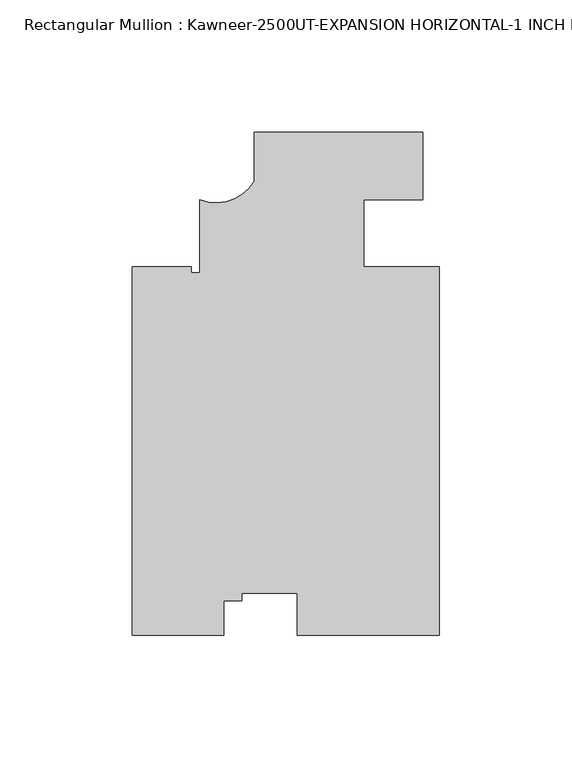
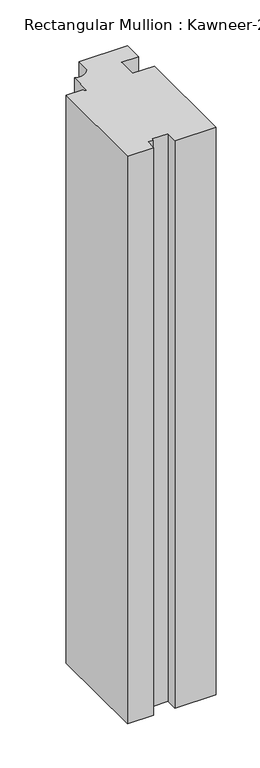
"""IFC4 building model written with IfcOpenShell, lengths in millimetres: member geometry, Rectangular Mullion : Kawneer-2500UT-EXPANSION HORIZONTAL-1 INCH INFILL-SET 6."""

from ifc_helpers import new_model, si_unit, point, frame, frame_2d, origin, place, context, project, spatial, polyline, circle_curve, trimmed, segment, composite_curve, outline, extrude, source, transform, mapped, element, save


def rectangular_mullion_kawneer_2500ut_expansion_horizontal_1_507eeec0(model_context):
    return source(origin(), model_context, "Body", "SweptSolid", [
        extrude(outline(composite_curve([segment(polyline([(0.0652766, -50.819541), (0.0652766, -190.0110885), (-53.5497694, -190.0110885), (-53.5497694, -174.112684), (-74.561792, -174.112684), (-74.561792, -176.9600543), (-81.4197917, -176.9600543), (-81.4197917, -190.0038535), (-115.9109027, -190.0038535), (-115.9109027, -50.8195423), (-93.6205795, -50.8190885), (-93.6205332, -53.0978535), (-90.4456462, -53.0978535), (-90.4456462, -25.4190885)]), True, "CONTINUOUS"), segment(trimmed(circle_curve(frame_2d((-84.190706, -9.8860086)), 16.7451739), [point((-90.4456462, -25.4190885))], [point((-69.7847234, -18.4223144))], True, "CARTESIAN"), True, "CONTINUOUS"), segment(polyline([(-69.7847234, -18.4223144), (-69.7847234, -0.0190885), (-6.2847234, -0.0190885), (-6.2847234, -25.4082203)]), True, "CONTINUOUS"), segment(trimmed(circle_curve(frame_2d((-10.5854752, -486.4269082)), 461.0387479), [point((-6.2847234, -25.4082203))], [point((-28.5097234, -25.7367212))], True, "CARTESIAN"), True, "CONTINUOUS"), segment(polyline([(-28.5097234, -25.7367212), (-28.5097234, -50.8189592), (0.0652766, -50.819541)]), True, "CONTINUOUS")], self_intersect=False)), frame((0.0, 0.0, -787.3997736), z_axis=(0.0, 0.0, 1.0), x_axis=(1.0, 0.0, 0.0)), (0.0, 0.0, 1.0), 787.3997736),
    ])


if __name__ == "__main__":
    model = new_model("IFC4")
    model_context = context("Model", 3, world=origin())
    ifc_project = project(units=[si_unit("LENGTHUNIT", "METRE", prefix="MILLI")], contexts=[model_context])
    site = spatial("IfcSite", under=ifc_project)
    building = spatial("IfcBuilding", under=site)
    placement = place(None, origin())
    rectangular_mullion_kawneer_2500ut_expansion_horizontal_1_shape = rectangular_mullion_kawneer_2500ut_expansion_horizontal_1_507eeec0(model_context)
    element("IfcMember", 1, ObjectType="Rectangular Mullion : Kawneer-2500UT-EXPANSION HORIZONTAL-1 INCH INFILL-SET 6", at=placement, inside=building, context=model_context, shape_type="MappedRepresentation", body=[
        mapped(rectangular_mullion_kawneer_2500ut_expansion_horizontal_1_shape, transform((0.0, 0.0, 0.0), x_axis=(1.0, 0.0, 0.0), y_axis=(0.0, 1.0, 0.0), z_axis=(0.0, 0.0, 1.0))),
    ])
    save(model, "model.ifc")
